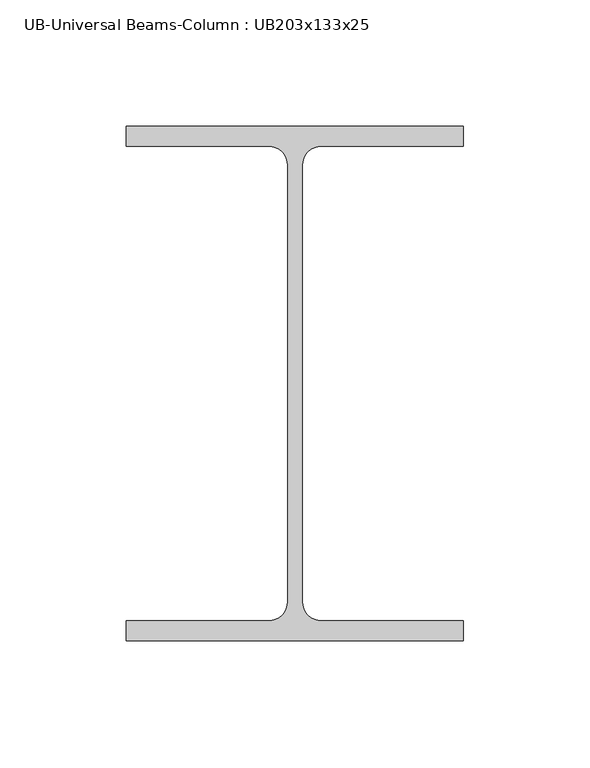
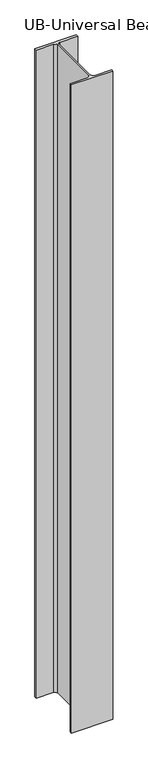
"""IFC4 building model written with IfcOpenShell, lengths in millimetres: column geometry, UB-Universal Beams-Column : UB203x133x25."""

from ifc_helpers import new_model, si_unit, point, frame_2d, origin, origin_with_axes, place, context, project, spatial, polyline, circle_curve, trimmed, segment, composite_curve, outline, extrude, source, transform, mapped, element, save


def ub_universal_beams_column_ub203x133x25_ddc69fb1(model_context):
    return source(origin(), model_context, "Body", "SweptSolid", [
        extrude(outline(composite_curve([segment(polyline([(66.6, 101.6), (66.6, 93.8), (10.45, 93.8)]), True, "CONTINUOUS"), segment(trimmed(circle_curve(frame_2d((10.45, 86.2)), 7.6), [point((10.45, 93.8))], [point((2.85, 86.2))], True, "CARTESIAN"), True, "CONTINUOUS"), segment(polyline([(2.85, 86.2), (2.85, -86.2)]), True, "CONTINUOUS"), segment(trimmed(circle_curve(frame_2d((10.45, -86.2)), 7.6), [point((2.85, -86.2))], [point((10.45, -93.8))], True, "CARTESIAN"), True, "CONTINUOUS"), segment(polyline([(10.45, -93.8), (66.6, -93.8), (66.6, -101.6), (-66.6, -101.6), (-66.6, -93.8), (-10.45, -93.8)]), True, "CONTINUOUS"), segment(trimmed(circle_curve(frame_2d((-10.45, -86.2)), 7.6), [point((-10.45, -93.8))], [point((-2.85, -86.2))], True, "CARTESIAN"), True, "CONTINUOUS"), segment(polyline([(-2.85, -86.2), (-2.85, 86.2)]), True, "CONTINUOUS"), segment(trimmed(circle_curve(frame_2d((-10.45, 86.2)), 7.6), [point((-2.85, 86.2))], [point((-10.45, 93.8))], True, "CARTESIAN"), True, "CONTINUOUS"), segment(polyline([(-10.45, 93.8), (-66.6, 93.8), (-66.6, 101.6), (66.6, 101.6)]), True, "CONTINUOUS")], self_intersect=False)), origin_with_axes(), (0.0, 0.0, 1.0), 2200.0),
    ])


if __name__ == "__main__":
    model = new_model("IFC4")
    model_context = context("Model", 3, world=origin())
    ifc_project = project(units=[si_unit("LENGTHUNIT", "METRE", prefix="MILLI")], contexts=[model_context])
    site = spatial("IfcSite", under=ifc_project)
    building = spatial("IfcBuilding", under=site)
    placement = place(None, origin())
    ub_universal_beams_column_ub203x133x25_shape = ub_universal_beams_column_ub203x133x25_ddc69fb1(model_context)
    element("IfcColumn", 1, ObjectType="UB-Universal Beams-Column : UB203x133x25", at=placement, inside=building, context=model_context, shape_type="MappedRepresentation", body=[
        mapped(ub_universal_beams_column_ub203x133x25_shape, transform((0.0, 0.0, 0.0), x_axis=(1.0, 0.0, 0.0), y_axis=(0.0, 1.0, 0.0), z_axis=(0.0, 0.0, 1.0))),
    ])
    save(model, "model.ifc")
